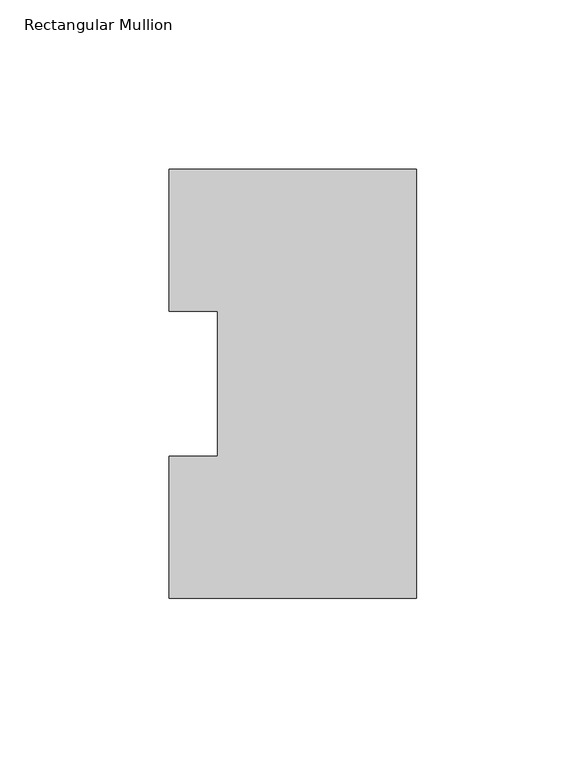
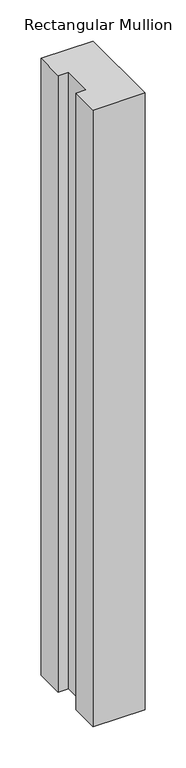
"""IFC4 building model written with IfcOpenShell, lengths in millimetres: member geometry, Rectangular Mullion."""

from ifc_helpers import new_model, si_unit, frame, origin, place, context, project, spatial, polyline, outline, extrude, source, transform, mapped, element, save


def rectangular_mullion_3748cddf(model_context):
    return source(origin(), model_context, "Body", "SweptSolid", [
        extrude(outline(polyline([(9.525, 126.75235), (9.525, 0.26035), (-63.5, 0.26035), (-63.5, 42.0814491), (-49.2125, 42.0814491), (-49.2125, 84.93125), (-63.5, 84.93125), (-63.5, 126.75235), (9.525, 126.75235)])), frame((0.0, 0.0, -914.4), z_axis=(0.0, 0.0, 1.0), x_axis=(1.0, 0.0, 0.0)), (0.0, 0.0, 1.0), 914.4),
    ])


if __name__ == "__main__":
    model = new_model("IFC4")
    model_context = context("Model", 3, world=origin())
    ifc_project = project(units=[si_unit("LENGTHUNIT", "METRE", prefix="MILLI")], contexts=[model_context])
    site = spatial("IfcSite", under=ifc_project)
    building = spatial("IfcBuilding", under=site)
    placement = place(None, origin())
    rectangular_mullion_shape = rectangular_mullion_3748cddf(model_context)
    element("IfcMember", 1, ObjectType="Rectangular Mullion", at=placement, inside=building, context=model_context, shape_type="MappedRepresentation", body=[
        mapped(rectangular_mullion_shape, transform((0.0, 0.0, 0.0), x_axis=(1.0, 0.0, 0.0), y_axis=(0.0, 1.0, 0.0), z_axis=(0.0, 0.0, 1.0))),
    ])
    save(model, "model.ifc")
